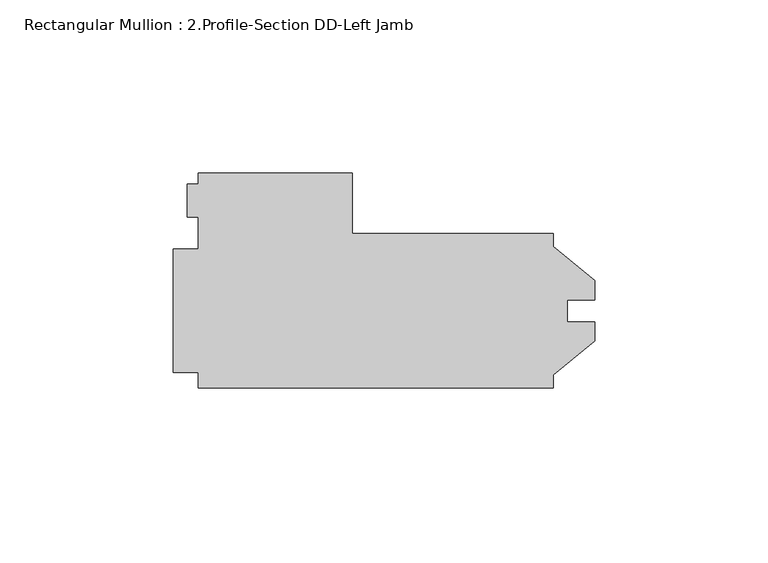
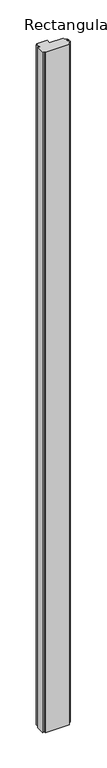
"""IFC4 building model written with IfcOpenShell, lengths in millimetres: member geometry, Rectangular Mullion : 2.Profile-Section DD-Left Jamb."""

from ifc_helpers import new_model, si_unit, frame, origin, place, context, project, spatial, polyline, outline, extrude, source, transform, mapped, element, save


def rectangular_mullion_2_profile_section_dd_left_jamb_fc9850a9(model_context):
    return source(origin(), model_context, "Body", "SweptSolid", [
        extrude(outline(polyline([(-11.90625, -61.9125), (-114.29365, -61.9125), (-114.29365, -57.546875), (-121.43105, -57.546875), (-121.43105, -21.828125), (-114.29365, -21.828125), (-114.29365, -12.7045091), (-117.46865, -12.7045091), (-117.46865, -3.1877), (-114.2386128, -3.1877), (-114.2386128, -0.0127), (-69.84365, -0.0127), (-69.84365, -17.4625), (-11.90625, -17.4625), (-11.90625, -21.168664), (0.0, -30.9372), (0.0, -36.5125), (-7.94385, -36.5125), (-7.94385, -42.8625), (0.0, -42.8625), (0.0, -48.4378), (-11.90625, -58.206336), (-11.90625, -61.9125)])), frame((0.0, 0.0, -3048.0), z_axis=(0.0, 0.0, 1.0), x_axis=(1.0, 0.0, 0.0)), (0.0, 0.0, 1.0), 3048.0),
    ])


if __name__ == "__main__":
    model = new_model("IFC4")
    model_context = context("Model", 3, world=origin())
    ifc_project = project(units=[si_unit("LENGTHUNIT", "METRE", prefix="MILLI")], contexts=[model_context])
    site = spatial("IfcSite", under=ifc_project)
    building = spatial("IfcBuilding", under=site)
    placement = place(None, origin())
    rectangular_mullion_2_profile_section_dd_left_jamb_shape = rectangular_mullion_2_profile_section_dd_left_jamb_fc9850a9(model_context)
    element("IfcMember", 1, ObjectType="Rectangular Mullion : 2.Profile-Section DD-Left Jamb", at=placement, inside=building, context=model_context, shape_type="MappedRepresentation", body=[
        mapped(rectangular_mullion_2_profile_section_dd_left_jamb_shape, transform((0.0, 0.0, 0.0), x_axis=(1.0, 0.0, 0.0), y_axis=(0.0, 1.0, 0.0), z_axis=(0.0, 0.0, 1.0))),
    ])
    save(model, "model.ifc")
